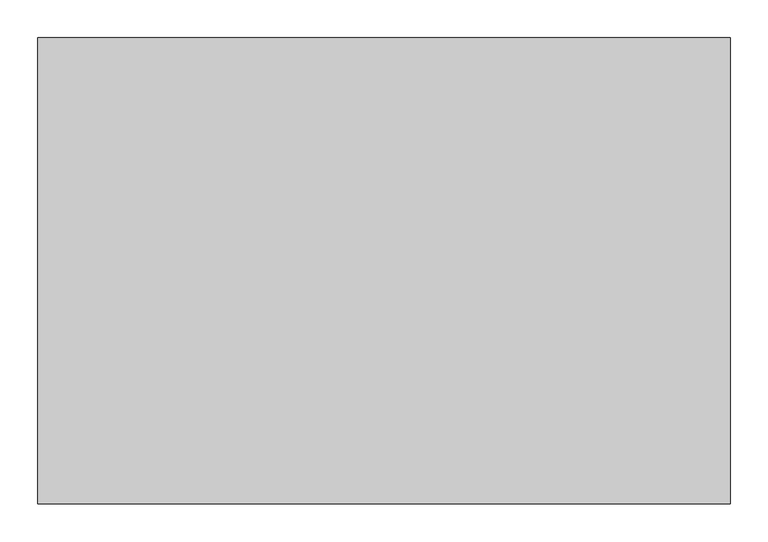
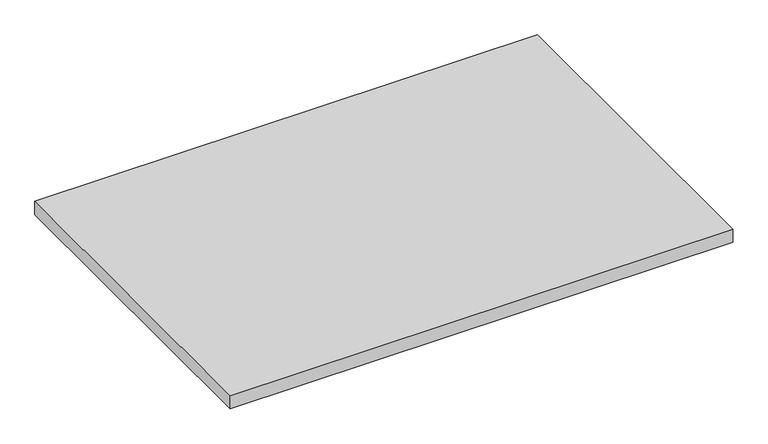
"""IFC4 building model written with IfcOpenShell, lengths in millimetres: furniture geometry."""

import ifcopenshell
import ifcopenshell.guid

model = None  # the IFC model being written
_history = None  # IfcOwnerHistory: only IFC2X3 demands one
_inside = {}  # id of a spatial element -> (the spatial element, [elements in it])
_under = {}  # id of a project, library or spatial element -> (it, [spatial elements below it])
_declared = {}  # id of a project -> (the project, [libraries it declares])
_typed = {}  # id of a type object -> (the type object, [elements of that type])
_made_of = {}  # id of a material, layer set ... -> (it, [elements and type objects made of it])


def new_model(schema):
    """Start an empty IFC model of exactly this schema.

    Asked for "IFC4X3", IfcOpenShell would pick the latest addendum, in which some entities
    have other attributes; the version numbers below select the first issue.
    IFC2X3 requires an IfcOwnerHistory on every rooted entity: one is made here for all.
    """
    global model, _history
    if schema == "IFC4X3":
        model = ifcopenshell.file(schema_version=(4, 3, 0, 0))
    else:
        model = ifcopenshell.file(schema=schema)
    _inside.clear()
    _under.clear()
    _declared.clear()
    _typed.clear()
    _made_of.clear()
    _history = None
    if model.schema == "IFC2X3":
        org = make("IfcOrganization", Name="unknown")
        user = make(
            "IfcPersonAndOrganization",
            ThePerson=make("IfcPerson", FamilyName="unknown"),
            TheOrganization=org,
        )
        app = make(
            "IfcApplication",
            ApplicationDeveloper=org,
            Version="unknown",
            ApplicationFullName="unknown",
            ApplicationIdentifier="unknown",
        )
        _history = make(
            "IfcOwnerHistory",
            OwningUser=user,
            OwningApplication=app,
            ChangeAction="ADDED",
            CreationDate=0,
        )
    return model


def make(cls, **values):
    """One entity of the class cls with the attributes given. An attribute that is None is left unset."""
    return model.create_entity(
        cls, **{name: value for name, value in values.items() if value is not None}
    )


def rooted(cls, **values):
    """An entity with a GlobalId (a new one), such as an element, a storey or a relation."""
    return make(cls, GlobalId=ifcopenshell.guid.new(), OwnerHistory=_history, **values)


def si_unit(unit_type, name, prefix=None):
    """IfcSIUnit, for example si_unit("LENGTHUNIT", "METRE", prefix="MILLI")."""
    return make("IfcSIUnit", UnitType=unit_type, Prefix=prefix, Name=name)


def assignment(units):
    """IfcUnitAssignment: the units of a project."""
    return None if units is None else make("IfcUnitAssignment", Units=units)


def point(xyz):
    """IfcCartesianPoint."""
    return None if xyz is None else make("IfcCartesianPoint", Coordinates=xyz)


def direction(xyz):
    """IfcDirection."""
    return None if xyz is None else make("IfcDirection", DirectionRatios=xyz)


def frame(location, z_axis=None, x_axis=None):
    """IfcAxis2Placement3D, a coordinate frame: its origin and axes. An axis left out is left unset."""
    return make(
        "IfcAxis2Placement3D",
        Location=point(location),
        Axis=direction(z_axis),
        RefDirection=direction(x_axis),
    )


def origin():
    """The frame at (0, 0, 0) with its axes left unset."""
    return frame((0.0, 0.0, 0.0))


def place(relative_to, where):
    """IfcLocalPlacement: puts the frame where relative to a parent placement (None: the world)."""
    return make(
        "IfcLocalPlacement", PlacementRelTo=relative_to, RelativePlacement=where
    )


def context(
    kind, dimensions, precision=None, world=None, true_north=None, identifier=None
):
    """IfcGeometricRepresentationContext, for example the 3D "Model" context."""
    return make(
        "IfcGeometricRepresentationContext",
        ContextIdentifier=identifier,
        ContextType=kind,
        CoordinateSpaceDimension=dimensions,
        Precision=precision,
        WorldCoordinateSystem=world,
        TrueNorth=true_north,
    )


def project(units=None, contexts=None):
    """IfcProject with its units and contexts."""
    return rooted(
        "IfcProject",
        Name="project",
        RepresentationContexts=contexts,
        UnitsInContext=assignment(units),
    )


def spatial(cls, under=None, at=None, **own):
    """A site, building, storey or space (cls), placed at a placement, below another one or the project."""
    s = rooted(cls, ObjectPlacement=at, **own)
    if under is not None:
        _under.setdefault(under.id(), (under, []))[1].append(s)
    return s


def polyline(points):
    """IfcPolyline through the points."""
    return make("IfcPolyline", Points=[point(p) for p in points])


def outline(outer, holes=None, kind="AREA"):
    """IfcArbitraryClosedProfileDef: a profile drawn as a closed curve; with holes, ...WithVoids."""
    if holes is None:
        return make("IfcArbitraryClosedProfileDef", ProfileType=kind, OuterCurve=outer)
    return make(
        "IfcArbitraryProfileDefWithVoids",
        ProfileType=kind,
        OuterCurve=outer,
        InnerCurves=holes,
    )


def extrude(swept, where, along, depth):
    """IfcExtrudedAreaSolid: the profile swept, set in the frame where, extruded along a direction by depth."""
    return make(
        "IfcExtrudedAreaSolid",
        SweptArea=swept,
        Position=where,
        ExtrudedDirection=direction(along),
        Depth=depth,
    )


def shape(context_of_items, identifier, shape_type, items):
    """IfcShapeRepresentation: the items that make up one representation, for example the "Body"."""
    return make(
        "IfcShapeRepresentation",
        ContextOfItems=context_of_items,
        RepresentationIdentifier=identifier,
        RepresentationType=shape_type,
        Items=items,
    )


def source(mapping_origin, context_of_items, identifier, shape_type, items):
    """IfcRepresentationMap: a shape defined once, which mapped items show again and again."""
    return make(
        "IfcRepresentationMap",
        MappingOrigin=mapping_origin,
        MappedRepresentation=shape(context_of_items, identifier, shape_type, items),
    )


def transform(
    local_origin,
    x_axis=None,
    y_axis=None,
    z_axis=None,
    scale=None,
    scale2=None,
    scale3=None,
    uniform=True,
):
    """IfcCartesianTransformationOperator3D, or its non-uniform kind. x_axis, y_axis, z_axis: its Axis1, 2, 3."""
    if uniform:
        return make(
            "IfcCartesianTransformationOperator3D",
            Axis1=direction(x_axis),
            Axis2=direction(y_axis),
            LocalOrigin=point(local_origin),
            Scale=scale,
            Axis3=direction(z_axis),
        )
    return make(
        "IfcCartesianTransformationOperator3DnonUniform",
        Axis1=direction(x_axis),
        Axis2=direction(y_axis),
        LocalOrigin=point(local_origin),
        Scale=scale,
        Axis3=direction(z_axis),
        Scale2=scale2,
        Scale3=scale3,
    )


def mapped(mapping_source, mapping_target):
    """IfcMappedItem: shows the shape of a source again, moved by a transform."""
    return make(
        "IfcMappedItem", MappingSource=mapping_source, MappingTarget=mapping_target
    )


def made_of(thing, what):
    """Note that an element or type object is made of a material, layer set ...; save() writes the relation."""
    if what is not None:
        _made_of.setdefault(what.id(), (what, []))[1].append(thing)
    return thing


def element(
    cls,
    number,
    at=None,
    inside=None,
    cuts=None,
    type_object=None,
    material=None,
    context=None,
    identifier="Body",
    shape_type=None,
    held_by="IfcProductDefinitionShape",
    body=None,
    shapes=None,
    **own,
):
    """One element of the class cls, such as IfcWall. Its Tag is "e" and its number.

    at: its placement. inside: the storey or other place that contains it. cuts: it is an
    opening in that element (IfcRelVoidsElement). A single representation is given by context,
    identifier, shape_type and body (its items); several are given by shapes. held_by: the class
    of the entity that holds the representations. save() writes the other relations.
    """
    e = rooted(cls, Tag="e%d" % number, ObjectPlacement=at, **own)
    if body is not None:
        shapes = [shape(context, identifier, shape_type, body)]
    if shapes is not None:
        e.Representation = make(held_by, Representations=shapes)
    if inside is not None:
        _inside.setdefault(inside.id(), (inside, []))[1].append(e)
    if cuts is not None:
        rooted(
            "IfcRelVoidsElement", RelatingBuildingElement=cuts, RelatedOpeningElement=e
        )
    if type_object is not None:
        _typed.setdefault(type_object.id(), (type_object, []))[1].append(e)
    return made_of(e, material)


def aggregate(whole, parts):
    """IfcRelAggregates: a whole, such as a stair, and the parts it consists of."""
    return rooted("IfcRelAggregates", RelatingObject=whole, RelatedObjects=parts)


def save(model, path):
    """Write the relations noted so far, then the file.

    IfcRelAggregates (storeys below a building ...), IfcRelContainedInSpatialStructure (elements
    in a storey), IfcRelDefinesByType, IfcRelAssociatesMaterial and IfcRelDeclares: one each for
    every whole, place, type object, material and project.
    """
    for whole, parts in _under.values():
        aggregate(whole, parts)
    for where, things in _inside.values():
        rooted(
            "IfcRelContainedInSpatialStructure",
            RelatedElements=things,
            RelatingStructure=where,
        )
    for kind, things in _typed.values():
        rooted("IfcRelDefinesByType", RelatedObjects=things, RelatingType=kind)
    for what, things in _made_of.values():
        rooted("IfcRelAssociatesMaterial", RelatedObjects=things, RelatingMaterial=what)
    for by, libraries in _declared.values():
        rooted("IfcRelDeclares", RelatingContext=by, RelatedDefinitions=libraries)
    model.write(path)


def furniture_94646884(model_context):
    return source(origin(), model_context, "Body", "SweptSolid", [
        extrude(outline(polyline([(914.4, 0.0), (914.4, -615.95), (0.0, -615.95), (0.0, 0.0), (914.4, 0.0)])), frame((0.0, 0.0, 852.297), z_axis=(0.0, 0.0, 1.0), x_axis=(1.0, 0.0, 0.0)), (0.0, 0.0, 1.0), 25.4),
    ])


if __name__ == "__main__":
    model = new_model("IFC4")
    model_context = context("Model", 3, world=origin())
    ifc_project = project(units=[si_unit("LENGTHUNIT", "METRE", prefix="MILLI")], contexts=[model_context])
    site = spatial("IfcSite", under=ifc_project)
    building = spatial("IfcBuilding", under=site)
    placement = place(None, origin())
    furniture_shape = furniture_94646884(model_context)
    element("IfcFurniture", 1, at=placement, inside=building, context=model_context, shape_type="MappedRepresentation", body=[
        mapped(furniture_shape, transform((0.0, 0.0, 0.0), x_axis=(1.0, 0.0, 0.0), y_axis=(0.0, 1.0, 0.0), z_axis=(0.0, 0.0, 1.0))),
    ])
    save(model, "model.ifc")
